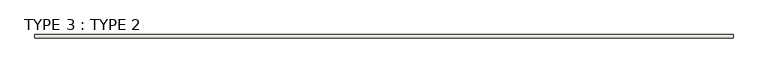
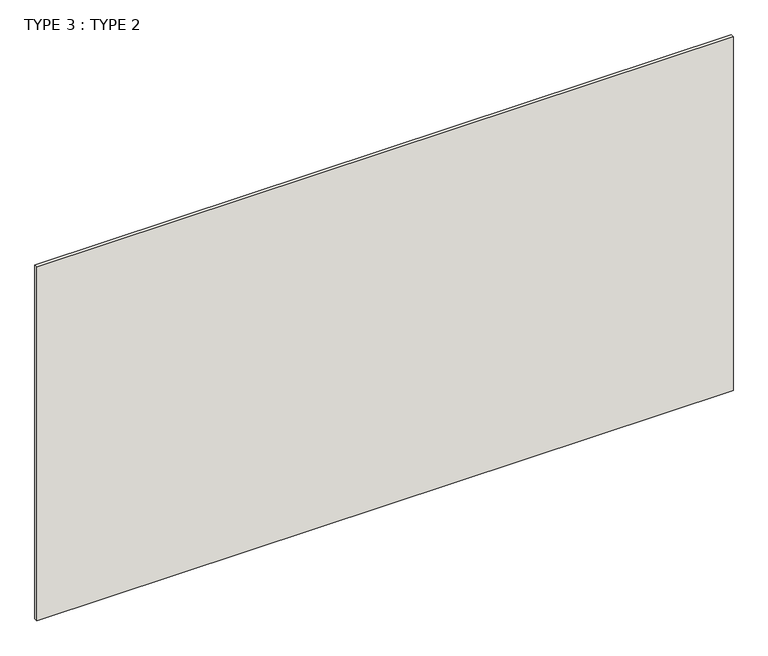
"""IFC4 building model written with IfcOpenShell, lengths in millimetres: wall geometry, TYPE 3 : TYPE 2."""

import ifcopenshell
import ifcopenshell.guid

model = None  # the IFC model being written
_history = None  # IfcOwnerHistory: only IFC2X3 demands one
_inside = {}  # id of a spatial element -> (the spatial element, [elements in it])
_under = {}  # id of a project, library or spatial element -> (it, [spatial elements below it])
_declared = {}  # id of a project -> (the project, [libraries it declares])
_typed = {}  # id of a type object -> (the type object, [elements of that type])
_made_of = {}  # id of a material, layer set ... -> (it, [elements and type objects made of it])


def new_model(schema):
    """Start an empty IFC model of exactly this schema.

    Asked for "IFC4X3", IfcOpenShell would pick the latest addendum, in which some entities
    have other attributes; the version numbers below select the first issue.
    IFC2X3 requires an IfcOwnerHistory on every rooted entity: one is made here for all.
    """
    global model, _history
    if schema == "IFC4X3":
        model = ifcopenshell.file(schema_version=(4, 3, 0, 0))
    else:
        model = ifcopenshell.file(schema=schema)
    _inside.clear()
    _under.clear()
    _declared.clear()
    _typed.clear()
    _made_of.clear()
    _history = None
    if model.schema == "IFC2X3":
        org = make("IfcOrganization", Name="unknown")
        user = make(
            "IfcPersonAndOrganization",
            ThePerson=make("IfcPerson", FamilyName="unknown"),
            TheOrganization=org,
        )
        app = make(
            "IfcApplication",
            ApplicationDeveloper=org,
            Version="unknown",
            ApplicationFullName="unknown",
            ApplicationIdentifier="unknown",
        )
        _history = make(
            "IfcOwnerHistory",
            OwningUser=user,
            OwningApplication=app,
            ChangeAction="ADDED",
            CreationDate=0,
        )
    return model


def make(cls, **values):
    """One entity of the class cls with the attributes given. An attribute that is None is left unset."""
    return model.create_entity(
        cls, **{name: value for name, value in values.items() if value is not None}
    )


def rooted(cls, **values):
    """An entity with a GlobalId (a new one), such as an element, a storey or a relation."""
    return make(cls, GlobalId=ifcopenshell.guid.new(), OwnerHistory=_history, **values)


def si_unit(unit_type, name, prefix=None):
    """IfcSIUnit, for example si_unit("LENGTHUNIT", "METRE", prefix="MILLI")."""
    return make("IfcSIUnit", UnitType=unit_type, Prefix=prefix, Name=name)


def assignment(units):
    """IfcUnitAssignment: the units of a project."""
    return None if units is None else make("IfcUnitAssignment", Units=units)


def point(xyz):
    """IfcCartesianPoint."""
    return None if xyz is None else make("IfcCartesianPoint", Coordinates=xyz)


def direction(xyz):
    """IfcDirection."""
    return None if xyz is None else make("IfcDirection", DirectionRatios=xyz)


def frame(location, z_axis=None, x_axis=None):
    """IfcAxis2Placement3D, a coordinate frame: its origin and axes. An axis left out is left unset."""
    return make(
        "IfcAxis2Placement3D",
        Location=point(location),
        Axis=direction(z_axis),
        RefDirection=direction(x_axis),
    )


def origin():
    """The frame at (0, 0, 0) with its axes left unset."""
    return frame((0.0, 0.0, 0.0))


def origin_with_axes():
    """The frame at (0, 0, 0) with the z axis (0, 0, 1) and the x axis (1, 0, 0) written out."""
    return frame((0.0, 0.0, 0.0), z_axis=(0.0, 0.0, 1.0), x_axis=(1.0, 0.0, 0.0))


def place(relative_to, where):
    """IfcLocalPlacement: puts the frame where relative to a parent placement (None: the world)."""
    return make(
        "IfcLocalPlacement", PlacementRelTo=relative_to, RelativePlacement=where
    )


def context(
    kind, dimensions, precision=None, world=None, true_north=None, identifier=None
):
    """IfcGeometricRepresentationContext, for example the 3D "Model" context."""
    return make(
        "IfcGeometricRepresentationContext",
        ContextIdentifier=identifier,
        ContextType=kind,
        CoordinateSpaceDimension=dimensions,
        Precision=precision,
        WorldCoordinateSystem=world,
        TrueNorth=true_north,
    )


def project(units=None, contexts=None):
    """IfcProject with its units and contexts."""
    return rooted(
        "IfcProject",
        Name="project",
        RepresentationContexts=contexts,
        UnitsInContext=assignment(units),
    )


def spatial(cls, under=None, at=None, **own):
    """A site, building, storey or space (cls), placed at a placement, below another one or the project."""
    s = rooted(cls, ObjectPlacement=at, **own)
    if under is not None:
        _under.setdefault(under.id(), (under, []))[1].append(s)
    return s


def polyline(points):
    """IfcPolyline through the points."""
    return make("IfcPolyline", Points=[point(p) for p in points])


def outline(outer, holes=None, kind="AREA"):
    """IfcArbitraryClosedProfileDef: a profile drawn as a closed curve; with holes, ...WithVoids."""
    if holes is None:
        return make("IfcArbitraryClosedProfileDef", ProfileType=kind, OuterCurve=outer)
    return make(
        "IfcArbitraryProfileDefWithVoids",
        ProfileType=kind,
        OuterCurve=outer,
        InnerCurves=holes,
    )


def extrude(swept, where, along, depth):
    """IfcExtrudedAreaSolid: the profile swept, set in the frame where, extruded along a direction by depth."""
    return make(
        "IfcExtrudedAreaSolid",
        SweptArea=swept,
        Position=where,
        ExtrudedDirection=direction(along),
        Depth=depth,
    )


def shape(context_of_items, identifier, shape_type, items):
    """IfcShapeRepresentation: the items that make up one representation, for example the "Body"."""
    return make(
        "IfcShapeRepresentation",
        ContextOfItems=context_of_items,
        RepresentationIdentifier=identifier,
        RepresentationType=shape_type,
        Items=items,
    )


def source(mapping_origin, context_of_items, identifier, shape_type, items):
    """IfcRepresentationMap: a shape defined once, which mapped items show again and again."""
    return make(
        "IfcRepresentationMap",
        MappingOrigin=mapping_origin,
        MappedRepresentation=shape(context_of_items, identifier, shape_type, items),
    )


def transform(
    local_origin,
    x_axis=None,
    y_axis=None,
    z_axis=None,
    scale=None,
    scale2=None,
    scale3=None,
    uniform=True,
):
    """IfcCartesianTransformationOperator3D, or its non-uniform kind. x_axis, y_axis, z_axis: its Axis1, 2, 3."""
    if uniform:
        return make(
            "IfcCartesianTransformationOperator3D",
            Axis1=direction(x_axis),
            Axis2=direction(y_axis),
            LocalOrigin=point(local_origin),
            Scale=scale,
            Axis3=direction(z_axis),
        )
    return make(
        "IfcCartesianTransformationOperator3DnonUniform",
        Axis1=direction(x_axis),
        Axis2=direction(y_axis),
        LocalOrigin=point(local_origin),
        Scale=scale,
        Axis3=direction(z_axis),
        Scale2=scale2,
        Scale3=scale3,
    )


def mapped(mapping_source, mapping_target):
    """IfcMappedItem: shows the shape of a source again, moved by a transform."""
    return make(
        "IfcMappedItem", MappingSource=mapping_source, MappingTarget=mapping_target
    )


def made_of(thing, what):
    """Note that an element or type object is made of a material, layer set ...; save() writes the relation."""
    if what is not None:
        _made_of.setdefault(what.id(), (what, []))[1].append(thing)
    return thing


def element(
    cls,
    number,
    at=None,
    inside=None,
    cuts=None,
    type_object=None,
    material=None,
    context=None,
    identifier="Body",
    shape_type=None,
    held_by="IfcProductDefinitionShape",
    body=None,
    shapes=None,
    **own,
):
    """One element of the class cls, such as IfcWall. Its Tag is "e" and its number.

    at: its placement. inside: the storey or other place that contains it. cuts: it is an
    opening in that element (IfcRelVoidsElement). A single representation is given by context,
    identifier, shape_type and body (its items); several are given by shapes. held_by: the class
    of the entity that holds the representations. save() writes the other relations.
    """
    e = rooted(cls, Tag="e%d" % number, ObjectPlacement=at, **own)
    if body is not None:
        shapes = [shape(context, identifier, shape_type, body)]
    if shapes is not None:
        e.Representation = make(held_by, Representations=shapes)
    if inside is not None:
        _inside.setdefault(inside.id(), (inside, []))[1].append(e)
    if cuts is not None:
        rooted(
            "IfcRelVoidsElement", RelatingBuildingElement=cuts, RelatedOpeningElement=e
        )
    if type_object is not None:
        _typed.setdefault(type_object.id(), (type_object, []))[1].append(e)
    return made_of(e, material)


def aggregate(whole, parts):
    """IfcRelAggregates: a whole, such as a stair, and the parts it consists of."""
    return rooted("IfcRelAggregates", RelatingObject=whole, RelatedObjects=parts)


def save(model, path):
    """Write the relations noted so far, then the file.

    IfcRelAggregates (storeys below a building ...), IfcRelContainedInSpatialStructure (elements
    in a storey), IfcRelDefinesByType, IfcRelAssociatesMaterial and IfcRelDeclares: one each for
    every whole, place, type object, material and project.
    """
    for whole, parts in _under.values():
        aggregate(whole, parts)
    for where, things in _inside.values():
        rooted(
            "IfcRelContainedInSpatialStructure",
            RelatedElements=things,
            RelatingStructure=where,
        )
    for kind, things in _typed.values():
        rooted("IfcRelDefinesByType", RelatedObjects=things, RelatingType=kind)
    for what, things in _made_of.values():
        rooted("IfcRelAssociatesMaterial", RelatedObjects=things, RelatingMaterial=what)
    for by, libraries in _declared.values():
        rooted("IfcRelDeclares", RelatingContext=by, RelatedDefinitions=libraries)
    model.write(path)


def type_3_type_2_628e5bdd(model_context):
    return source(origin(), model_context, "Body", "SweptSolid", [
        extrude(outline(polyline([(-18492.7440345, 25927.840365), (-28551.1440345, 25927.840365), (-28551.1440345, 25978.640365), (-18492.7440345, 25978.640365), (-18492.7440345, 25927.840365)])), origin_with_axes(), (0.0, 0.0, 1.0), 5403.85),
    ])


if __name__ == "__main__":
    model = new_model("IFC4")
    model_context = context("Model", 3, world=origin())
    ifc_project = project(units=[si_unit("LENGTHUNIT", "METRE", prefix="MILLI")], contexts=[model_context])
    site = spatial("IfcSite", under=ifc_project)
    building = spatial("IfcBuilding", under=site)
    placement = place(None, origin())
    type_3_type_2_shape = type_3_type_2_628e5bdd(model_context)
    element("IfcWall", 1, ObjectType="TYPE 3 : TYPE 2", at=placement, inside=building, context=model_context, shape_type="MappedRepresentation", body=[
        mapped(type_3_type_2_shape, transform((0.0, 0.0, 0.0), x_axis=(1.0, 0.0, 0.0), y_axis=(0.0, 1.0, 0.0), z_axis=(0.0, 0.0, 1.0))),
    ])
    save(model, "model.ifc")
